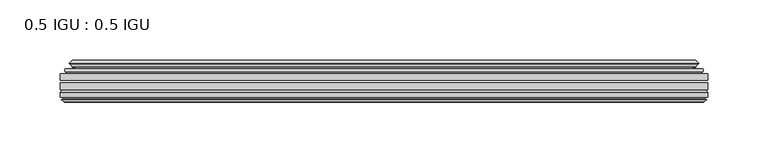
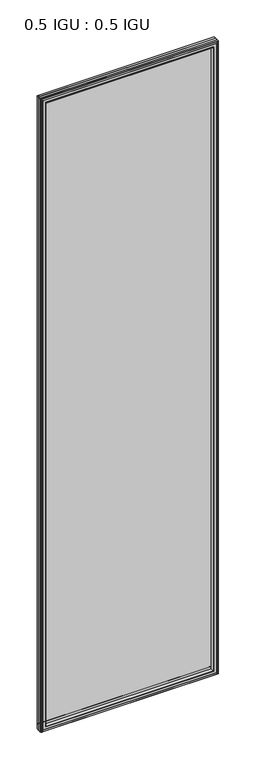
"""IFC4 building model written with IfcOpenShell, lengths in millimetres: plate geometry, 0.5 IGU : 0.5 IGU."""

from ifc_helpers import new_model, si_unit, frame, origin, place, context, project, spatial, polyline, ellipse_curve, outline, extrude, faceted_brep, source, transform, mapped, element, save
from ifc_brep_helpers import plane_surface, cylinder_surface, revolved_surface, advanced_brep


def plate_0_5_igu_0_5_igu_70f71990(model_context):
    return source(origin(), model_context, "Body", "SolidModel", [
        extrude(outline(polyline([(268.301675, -55.82285), (268.301675, -61.48705), (-268.2875, -61.48705), (-268.2875, -55.82285), (268.301675, -55.82285)])), frame((0.0, 0.0, -14.2875), z_axis=(0.0, 0.0, 1.0), x_axis=(1.0, 0.0, 0.0)), (0.0, 0.0, 1.0), 2025.6537979),
        extrude(outline(polyline([(-268.2875, -69.05625), (-268.2875, -63.39205), (268.301675, -63.39205), (268.301675, -69.05625), (-268.2875, -69.05625)])), frame((0.0, 0.0, -14.2875), z_axis=(0.0, 0.0, 1.0), x_axis=(1.0, 0.0, 0.0)), (0.0, 0.0, 1.0), 2025.6537979),
        advanced_brep(
        [(-264.1849626, -54.3724927, 2007.2599626), (-263.1404378, -51.60645, 2006.2154378), (-263.1404378, -51.60645, -9.1404378), (-264.1849626, -54.3724927, -10.1849626), (-262.548517, -55.82285, 2005.623517), (-262.548517, -55.82285, -8.548517), (-254.0, -45.63745, 1997.075), (-250.4172761, -55.82285, 1993.4922761), (-250.4172761, -55.82285, 3.5827239), (-254.0, -45.63745, 0.0), (-259.1859109, -46.8185491, 2002.2609109), (-259.1859109, -46.8185491, -5.1859109), (-258.3888893, -44.8183085, 2001.4638893), (-258.3888893, -44.8183085, -4.3888893), (-260.6726111, -47.135817, 2003.7476111), (-260.6726111, -47.135817, -6.6726111), (-260.6726111, -47.8489429, 2003.7476111), (-260.6726111, -47.8489429, -6.6726111), (-258.3888893, -50.1664515, 2001.4638893), (-258.3888893, -50.1664515, -4.3888893), (-259.1782501, -48.1854367, 2002.2532501), (-259.1782501, -48.1854367, -5.1782501), (-256.6544379, -48.027045, 1999.7294379), (-256.6544379, -48.027045, -2.6544379), (-255.6286217, -48.7147544, 1998.7036217), (-255.6286217, -48.7147544, -1.6286217), (-255.7470288, -50.1092231, 1998.8220288), (-255.7470288, -50.1092231, -1.7470288), (-256.3487748, -51.60645, 1999.4237748), (-256.3487748, -51.60645, -2.3487748), (263.1404378, -51.60645, -9.1404378), (264.1849626, -54.3724927, -10.1849626), (262.548517, -55.82285, -8.548517), (250.4172761, -55.82285, 3.5827239), (254.0, -45.63745, 0.0), (259.1859109, -46.8185491, -5.1859109), (258.3888893, -44.8183085, -4.3888893), (260.6726111, -47.135817, -6.6726111), (260.6726111, -47.8489429, -6.6726111), (258.3888893, -50.1664515, -4.3888893), (259.1782501, -48.1854367, -5.1782501), (256.6544379, -48.027045, -2.6544379), (255.6286217, -48.7147544, -1.6286217), (255.7470288, -50.1092231, -1.7470288), (256.3487748, -51.60645, -2.3487748), (263.1404378, -51.60645, 2006.2154378), (264.1849626, -54.3724927, 2007.2599626), (262.548517, -55.82285, 2005.623517), (250.4172761, -55.82285, 1993.4922761), (254.0, -45.63745, 1997.075), (259.1859109, -46.8185491, 2002.2609109), (258.3888893, -44.8183085, 2001.4638893), (260.6726111, -47.135817, 2003.7476111), (260.6726111, -47.8489429, 2003.7476111), (258.3888893, -50.1664515, 2001.4638893), (259.1782501, -48.1854367, 2002.2532501), (256.6544379, -48.027045, 1999.7294379), (255.6286217, -48.7147544, 1998.7036217), (255.7470288, -50.1092231, 1998.8220288), (256.3487748, -51.60645, 1999.4237748)],
        [
            (0, 1, ellipse_curve(frame((-263.1320703, -53.1898501, 2006.2070703), z_axis=(-0.7071067811865475, 0.0, -0.7071067811865475), x_axis=(-0.7071067811865474, 0.0, 0.7071067811865476)), 2.2392971, 1.5834222)),
            (1, 2),
            (2, 3, ellipse_curve(frame((-263.1320703, -53.1898501, -9.1320703), z_axis=(-0.7071067811865475, 0.0, 0.7071067811865475), x_axis=(0.7071067811865474, 0.0, 0.7071067811865476)), 2.2392971, 1.5834222)),
            (3, 0),
            (4, 0),
            (3, 5),
            (5, 4),
            (6, 7, ellipse_curve(frame((-221.720246, -40.0058297, 1964.795246), z_axis=(0.7071067811865475, 0.0, 0.7071067811865475), x_axis=(0.7071067811865474, 0.0, -0.7071067811865476)), 46.3399971, 32.7673262)),
            (7, 8),
            (8, 9, ellipse_curve(frame((-221.720246, -40.0058297, 32.279754), z_axis=(0.7071067811865475, 0.0, -0.7071067811865475), x_axis=(-0.7071067811865474, 0.0, -0.7071067811865476)), 46.3399971, 32.7673262)),
            (9, 6),
            (10, 6),
            (9, 11),
            (11, 10),
            (12, 10),
            (11, 13),
            (13, 12),
            (14, 12),
            (13, 15),
            (15, 14),
            (16, 14, ellipse_curve(frame((-260.3107729, -47.49238, 2003.3857729), z_axis=(-0.7071067811865475, 0.0, -0.7071067811865475), x_axis=(-0.7071067811865474, 0.0, 0.7071067811865476)), 0.7184205, 0.508)),
            (15, 17, ellipse_curve(frame((-260.3107729, -47.49238, -6.3107729), z_axis=(-0.7071067811865475, 0.0, 0.7071067811865475), x_axis=(0.7071067811865474, 0.0, 0.7071067811865476)), 0.7184205, 0.508)),
            (17, 16),
            (18, 16),
            (17, 19),
            (19, 18),
            (20, 18),
            (19, 21),
            (21, 20),
            (22, 20),
            (21, 23),
            (23, 22),
            (24, 22, ellipse_curve(frame((-256.5908, -49.04105, 1999.6658), z_axis=(0.7071067811865475, 0.0, 0.7071067811865475), x_axis=(0.7071067811865474, 0.0, -0.7071067811865476)), 1.436841, 1.016)),
            (23, 25, ellipse_curve(frame((-256.5908, -49.04105, -2.5908), z_axis=(0.7071067811865475, 0.0, -0.7071067811865475), x_axis=(-0.7071067811865474, 0.0, -0.7071067811865476)), 1.436841, 1.016)),
            (25, 24),
            (26, 24, ellipse_curve(frame((-257.9624, -49.21885, 2001.0374), z_axis=(0.7071067811865475, 0.0, 0.7071067811865475), x_axis=(0.7071067811865474, 0.0, -0.7071067811865476)), 3.3765763, 2.3876)),
            (25, 27, ellipse_curve(frame((-257.9624, -49.21885, -3.9624), z_axis=(0.7071067811865475, 0.0, -0.7071067811865475), x_axis=(-0.7071067811865474, 0.0, -0.7071067811865476)), 3.3765763, 2.3876)),
            (27, 26),
            (28, 26),
            (27, 29),
            (29, 28),
            (2, 30),
            (30, 31, ellipse_curve(frame((263.1320703, -53.1898501, -9.1320703), z_axis=(-0.7071067811865475, 0.0, -0.7071067811865475), x_axis=(-0.7071067811865476, 0.0, 0.7071067811865474)), 2.2392971, 1.5834222)),
            (31, 3),
            (31, 32),
            (32, 5),
            (8, 33),
            (33, 34, ellipse_curve(frame((221.720246, -40.0058297, 32.279754), z_axis=(0.7071067811865475, 0.0, 0.7071067811865475), x_axis=(0.7071067811865476, 0.0, -0.7071067811865474)), 46.3399971, 32.7673262)),
            (34, 9),
            (34, 35),
            (35, 11),
            (35, 36),
            (36, 13),
            (36, 37),
            (37, 15),
            (37, 38, ellipse_curve(frame((260.3107729, -47.49238, -6.3107729), z_axis=(-0.7071067811865475, 0.0, -0.7071067811865475), x_axis=(-0.7071067811865476, 0.0, 0.7071067811865474)), 0.7184205, 0.508)),
            (38, 17),
            (38, 39),
            (39, 19),
            (39, 40),
            (40, 21),
            (40, 41),
            (41, 23),
            (41, 42, ellipse_curve(frame((256.5908, -49.04105, -2.5908), z_axis=(0.7071067811865475, 0.0, 0.7071067811865475), x_axis=(0.7071067811865476, 0.0, -0.7071067811865474)), 1.436841, 1.016)),
            (42, 25),
            (42, 43, ellipse_curve(frame((257.9624, -49.21885, -3.9624), z_axis=(0.7071067811865475, 0.0, 0.7071067811865475), x_axis=(0.7071067811865476, 0.0, -0.7071067811865474)), 3.3765763, 2.3876)),
            (43, 27),
            (43, 44),
            (44, 29),
            (30, 45),
            (45, 46, ellipse_curve(frame((263.1320703, -53.1898501, 2006.2070703), z_axis=(0.7071067811865475, 0.0, -0.7071067811865475), x_axis=(-0.7071067811865474, 0.0, -0.7071067811865476)), 2.2392971, 1.5834222)),
            (46, 31),
            (46, 47),
            (47, 32),
            (33, 48),
            (48, 49, ellipse_curve(frame((221.720246, -40.0058297, 1964.795246), z_axis=(-0.7071067811865475, 0.0, 0.7071067811865475), x_axis=(0.7071067811865474, 0.0, 0.7071067811865476)), 46.3399971, 32.7673262)),
            (49, 34),
            (49, 50),
            (50, 35),
            (50, 51),
            (51, 36),
            (51, 52),
            (52, 37),
            (52, 53, ellipse_curve(frame((260.3107729, -47.49238, 2003.3857729), z_axis=(0.7071067811865475, 0.0, -0.7071067811865475), x_axis=(-0.7071067811865474, 0.0, -0.7071067811865476)), 0.7184205, 0.508)),
            (53, 38),
            (53, 54),
            (54, 39),
            (54, 55),
            (55, 40),
            (55, 56),
            (56, 41),
            (56, 57, ellipse_curve(frame((256.5908, -49.04105, 1999.6658), z_axis=(-0.7071067811865475, 0.0, 0.7071067811865475), x_axis=(0.7071067811865474, 0.0, 0.7071067811865476)), 1.436841, 1.016)),
            (57, 42),
            (57, 58, ellipse_curve(frame((257.9624, -49.21885, 2001.0374), z_axis=(-0.7071067811865475, 0.0, 0.7071067811865475), x_axis=(0.7071067811865474, 0.0, 0.7071067811865476)), 3.3765763, 2.3876)),
            (58, 43),
            (58, 59),
            (59, 44),
            (45, 1),
            (0, 46),
            (4, 47),
            (7, 48),
            (6, 49),
            (10, 50),
            (12, 51),
            (14, 52),
            (16, 53),
            (18, 54),
            (20, 55),
            (22, 56),
            (24, 57),
            (26, 58),
            (28, 59),
        ],
        [
            cylinder_surface(frame((-263.1320703, -53.1898501, 2028.825), z_axis=(0.0, 0.0, 1.0), x_axis=(-1.0, 0.0, 0.0)), 1.5834222),
            plane_surface(frame((-264.1849626, -54.3724927, 2007.2599626), z_axis=(-0.6632745773184306, -0.7483761320907135, 0.0), x_axis=(0.0, 0.0, -1.0))),
            revolved_surface(polyline([(-254.4875722, -40.0058297, -0.48757218957507575), (-254.4875722, -40.0058297, 1997.562572189575)]), (-221.720246, -40.0058297, 2028.825), (0.0, 0.0, -1.0)),
            plane_surface(frame((-254.0, -45.63745, 1997.075), z_axis=(-0.2220649844278743, 0.975031867525902, 0.0), x_axis=(0.0, 0.0, -1.0))),
            plane_surface(frame((-259.1859109, -46.8185491, 2002.2609109), z_axis=(0.928968268563027, -0.37015936568323066, 0.0), x_axis=(0.0, 0.0, -1.0))),
            plane_surface(frame((-258.3888893, -44.8183085, 2001.4638893), z_axis=(-0.7122798501733482, 0.7018955869907096, 0.0), x_axis=(0.0, 0.0, -1.0))),
            cylinder_surface(frame((-260.3107729, -47.49238, 2028.825), z_axis=(0.0, 0.0, 1.0), x_axis=(-1.0, 0.0, 0.0)), 0.508),
            plane_surface(frame((-260.6726111, -47.8489429, 2003.7476111), z_axis=(-0.7122798501732925, -0.701895586990766, 0.0), x_axis=(0.0, 0.0, -1.0))),
            plane_surface(frame((-258.3888893, -50.1664515, 2001.4638893), z_axis=(0.9289682685628707, 0.3701593656836228, 0.0), x_axis=(0.0, 0.0, -1.0))),
            plane_surface(frame((-259.1782501, -48.1854367, 2002.2532501), z_axis=(0.0626357011928498, -0.9980364567169279, 0.0), x_axis=(0.0, 0.0, -1.0))),
            revolved_surface(polyline([(-257.6068, -49.04105, -3.6068000145867245), (-257.6068, -49.04105, 2000.6818000145868)]), (-256.5908, -49.04105, 2028.825), (0.0, 0.0, -1.0)),
            revolved_surface(polyline([(-260.35, -49.21885, -6.3499999989237494), (-260.35, -49.21885, 2003.4249999989238)]), (-257.9624, -49.21885, 2028.825), (0.0, 0.0, -1.0)),
            plane_surface(frame((-255.7470288, -50.1092231, 1998.8220288), z_axis=(-0.9278652925428184, 0.3729155385532094, 0.0), x_axis=(0.0, 0.0, -1.0))),
            cylinder_surface(frame((-285.75, -53.1898501, -9.1320703), z_axis=(-1.0, 0.0, 0.0), x_axis=(0.0, 0.0, -1.0)), 1.5834222),
            plane_surface(frame((-264.1849626, -54.3724927, -10.1849626), z_axis=(0.0, -0.7483761320907157, -0.6632745773184283), x_axis=(1.0, 0.0, 0.0))),
            revolved_surface(polyline([(254.48757218957496, -40.0058297, -0.48757220000000245), (-254.48757218957493, -40.0058297, -0.48757220000000245)]), (-285.75, -40.0058297, 32.279754), (1.0, 0.0, 0.0)),
            plane_surface(frame((-254.0, -45.63745, 0.0), z_axis=(0.0, 0.9750318675259013, -0.22206498442787745), x_axis=(1.0, 0.0, 0.0))),
            plane_surface(frame((-259.1859109, -46.8185491, -5.1859109), z_axis=(0.0, -0.37015936568322766, 0.9289682685630283), x_axis=(1.0, 0.0, 0.0))),
            plane_surface(frame((-258.3888893, -44.8183085, -4.3888893), z_axis=(0.0, 0.7018955869907073, -0.7122798501733504), x_axis=(1.0, 0.0, 0.0))),
            cylinder_surface(frame((-285.75, -47.49238, -6.3107729), z_axis=(-1.0, 0.0, 0.0), x_axis=(0.0, 0.0, -1.0)), 0.508),
            plane_surface(frame((-260.6726111, -47.8489429, -6.6726111), z_axis=(0.0, -0.7018955869907684, -0.7122798501732903), x_axis=(1.0, 0.0, 0.0))),
            plane_surface(frame((-258.3888893, -50.1664515, -4.3888893), z_axis=(0.0, 0.37015936568362584, 0.9289682685628696), x_axis=(1.0, 0.0, 0.0))),
            plane_surface(frame((-259.1782501, -48.1854367, -5.1782501), z_axis=(0.0, -0.9980364567169276, 0.06263570119285301), x_axis=(1.0, 0.0, 0.0))),
            revolved_surface(polyline([(257.60680001458684, -49.04105, -3.6068000000000002), (-257.60680001458684, -49.04105, -3.6068000000000002)]), (-285.75, -49.04105, -2.5908), (1.0, 0.0, 0.0)),
            revolved_surface(polyline([(260.34999999892375, -49.21885, -6.35), (-260.3499999989238, -49.21885, -6.35)]), (-285.75, -49.21885, -3.9624), (1.0, 0.0, 0.0)),
            plane_surface(frame((-255.7470288, -50.1092231, -1.7470288), z_axis=(0.0, 0.3729155385532064, -0.9278652925428196), x_axis=(1.0, 0.0, 0.0))),
            cylinder_surface(frame((263.1320703, -53.1898501, -31.75), z_axis=(0.0, 0.0, -1.0), x_axis=(1.0, 0.0, 0.0)), 1.5834222),
            plane_surface(frame((264.1849626, -54.3724927, -10.1849626), z_axis=(0.6632745773184259, -0.7483761320907178, 0.0), x_axis=(0.0, 0.0, 1.0))),
            revolved_surface(polyline([(254.4875722, -40.0058297, 1997.562572189575), (254.4875722, -40.0058297, -0.48757218957494075)]), (221.720246, -40.0058297, -31.75), (0.0, 0.0, 1.0)),
            plane_surface(frame((254.0, -45.63745, 0.0), z_axis=(0.22206498442788056, 0.9750318675259005, 0.0), x_axis=(0.0, 0.0, 1.0))),
            plane_surface(frame((259.1859109, -46.8185491, -5.1859109), z_axis=(-0.9289682685630295, -0.37015936568322466, 0.0), x_axis=(0.0, 0.0, 1.0))),
            plane_surface(frame((258.3888893, -44.8183085, -4.3888893), z_axis=(0.7122798501733526, 0.701895586990705, 0.0), x_axis=(0.0, 0.0, 1.0))),
            cylinder_surface(frame((260.3107729, -47.49238, -31.75), z_axis=(0.0, 0.0, -1.0), x_axis=(1.0, 0.0, 0.0)), 0.508),
            plane_surface(frame((260.6726111, -47.8489429, -6.6726111), z_axis=(0.712279850173288, -0.7018955869907706, 0.0), x_axis=(0.0, 0.0, 1.0))),
            plane_surface(frame((258.3888893, -50.1664515, -4.3888893), z_axis=(-0.9289682685628684, 0.37015936568362884, 0.0), x_axis=(0.0, 0.0, 1.0))),
            plane_surface(frame((259.1782501, -48.1854367, -5.1782501), z_axis=(-0.06263570119285623, -0.9980364567169274, 0.0), x_axis=(0.0, 0.0, 1.0))),
            revolved_surface(polyline([(257.6068, -49.04105, 2000.6818000145868), (257.6068, -49.04105, -3.606800014586863)]), (256.5908, -49.04105, -31.75), (0.0, 0.0, 1.0)),
            revolved_surface(polyline([(260.35, -49.21885, 2003.4249999989238), (260.35, -49.21885, -6.349999998923781)]), (257.9624, -49.21885, -31.75), (0.0, 0.0, 1.0)),
            plane_surface(frame((255.7470288, -50.1092231, -1.7470288), z_axis=(0.9278652925428208, 0.3729155385532034, 0.0), x_axis=(0.0, 0.0, 1.0))),
            cylinder_surface(frame((285.75, -53.1898501, 2006.2070703), z_axis=(1.0, 0.0, 0.0), x_axis=(0.0, 0.0, 1.0)), 1.5834222),
            plane_surface(frame((264.1849626, -54.3724927, 2007.2599626), z_axis=(0.0, -0.7483761320907157, 0.6632745773184283), x_axis=(-1.0, 0.0, 0.0))),
            plane_surface(frame((262.548517, -55.82285, 2005.623517), z_axis=(0.0, -1.0, 0.0), x_axis=(-1.0, 0.0, 0.0))),
            revolved_surface(polyline([(-254.48757218957496, -40.0058297, 1997.5625722), (254.48757218957493, -40.0058297, 1997.5625722)]), (285.75, -40.0058297, 1964.795246), (-1.0, 0.0, 0.0)),
            plane_surface(frame((254.0, -45.63745, 1997.075), z_axis=(0.0, 0.9750318675259012, 0.22206498442787742), x_axis=(-1.0, 0.0, 0.0))),
            plane_surface(frame((259.1859109, -46.8185491, 2002.2609109), z_axis=(0.0, -0.37015936568322766, -0.9289682685630283), x_axis=(-1.0, 0.0, 0.0))),
            plane_surface(frame((258.3888893, -44.8183085, 2001.4638893), z_axis=(0.0, 0.7018955869907073, 0.7122798501733504), x_axis=(-1.0, 0.0, 0.0))),
            cylinder_surface(frame((285.75, -47.49238, 2003.3857729), z_axis=(1.0, 0.0, 0.0), x_axis=(0.0, 0.0, 1.0)), 0.508),
            plane_surface(frame((260.6726111, -47.8489429, 2003.7476111), z_axis=(0.0, -0.7018955869907684, 0.7122798501732903), x_axis=(-1.0, 0.0, 0.0))),
            plane_surface(frame((258.3888893, -50.1664515, 2001.4638893), z_axis=(0.0, 0.37015936568362584, -0.9289682685628696), x_axis=(-1.0, 0.0, 0.0))),
            plane_surface(frame((259.1782501, -48.1854367, 2002.2532501), z_axis=(0.0, -0.9980364567169276, -0.06263570119285301), x_axis=(-1.0, 0.0, 0.0))),
            revolved_surface(polyline([(-257.60680001458684, -49.04105, 2000.6818), (257.60680001458684, -49.04105, 2000.6818)]), (285.75, -49.04105, 1999.6658), (-1.0, 0.0, 0.0)),
            revolved_surface(polyline([(-260.34999999892375, -49.21885, 2003.425), (260.3499999989238, -49.21885, 2003.425)]), (285.75, -49.21885, 2001.0374), (-1.0, 0.0, 0.0)),
            plane_surface(frame((255.7470288, -50.1092231, 1998.8220288), z_axis=(0.0, 0.3729155385532064, 0.9278652925428196), x_axis=(-1.0, 0.0, 0.0))),
            plane_surface(frame((256.3487748, -51.60645, 1999.4237748), z_axis=(0.0, 1.0, 0.0), x_axis=(-1.0, 0.0, 0.0))),
        ],
        [
            (0, [[1, 2, 3, 4]]),
            (1, [[5, -4, 6, 7]]),
            (2, [[8, 9, 10, 11]]),
            (3, [[12, -11, 13, 14]]),
            (4, [[15, -14, 16, 17]]),
            (5, [[18, -17, 19, 20]]),
            (6, [[21, -20, 22, 23]]),
            (7, [[24, -23, 25, 26]]),
            (8, [[27, -26, 28, 29]]),
            (9, [[30, -29, 31, 32]]),
            (10, [[33, -32, 34, 35]]),
            (11, [[36, -35, 37, 38]]),
            (12, [[39, -38, 40, 41]]),
            (13, [[-3, 42, 43, 44]]),
            (14, [[-6, -44, 45, 46]]),
            (15, [[-10, 47, 48, 49]]),
            (16, [[-13, -49, 50, 51]]),
            (17, [[-16, -51, 52, 53]]),
            (18, [[-19, -53, 54, 55]]),
            (19, [[-22, -55, 56, 57]]),
            (20, [[-25, -57, 58, 59]]),
            (21, [[-28, -59, 60, 61]]),
            (22, [[-31, -61, 62, 63]]),
            (23, [[-34, -63, 64, 65]]),
            (24, [[-37, -65, 66, 67]]),
            (25, [[-40, -67, 68, 69]]),
            (26, [[-43, 70, 71, 72]]),
            (27, [[-45, -72, 73, 74]]),
            (28, [[-48, 75, 76, 77]]),
            (29, [[-50, -77, 78, 79]]),
            (30, [[-52, -79, 80, 81]]),
            (31, [[-54, -81, 82, 83]]),
            (32, [[-56, -83, 84, 85]]),
            (33, [[-58, -85, 86, 87]]),
            (34, [[-60, -87, 88, 89]]),
            (35, [[-62, -89, 90, 91]]),
            (36, [[-64, -91, 92, 93]]),
            (37, [[-66, -93, 94, 95]]),
            (38, [[-68, -95, 96, 97]]),
            (39, [[-71, 98, -1, 99]]),
            (40, [[-73, -99, -5, 100]]),
            (41, [[-46, -74, -100, -7], [101, -75, -47, -9]]),
            (42, [[-76, -101, -8, 102]]),
            (43, [[-78, -102, -12, 103]]),
            (44, [[-80, -103, -15, 104]]),
            (45, [[-82, -104, -18, 105]]),
            (46, [[-84, -105, -21, 106]]),
            (47, [[-86, -106, -24, 107]]),
            (48, [[-88, -107, -27, 108]]),
            (49, [[-90, -108, -30, 109]]),
            (50, [[-92, -109, -33, 110]]),
            (51, [[-94, -110, -36, 111]]),
            (52, [[-96, -111, -39, 112]]),
            (53, [[-98, -70, -42, -2], [-69, -97, -112, -41]]),
        ],
    ),
        faceted_brep([(-250.1457827, -69.05625, 1993.2207827), (-252.7120798, -77.94625, 1995.7870798), (-252.7120798, -77.94625, 1.2879202), (-250.1457827, -69.05625, 3.8542173), (-268.3002, -71.2633102, 2011.3752), (-266.0931398, -69.05625, 2009.1681398), (-266.0931398, -69.05625, -12.0931398), (-268.3002, -71.2633102, -14.3002), (-268.3002, -75.40625, 2011.3752), (-268.3002, -75.40625, -14.3002), (-265.8811775, -76.58989, 2008.9561775), (-266.7508, -75.40625, 2009.8258), (-266.7508, -75.40625, -12.7508), (-265.8811775, -76.58989, -11.8811775), (-265.684, -77.8875884, 2008.759), (-265.684, -77.8875884, -11.684), (-266.65966, -77.3578917, 2009.73466), (-266.65966, -77.3578917, -12.65966), (-265.1252, -79.1749663, 2008.2002), (-267.4523305, -77.3578917, 2010.5273305), (-267.4523305, -77.3578917, -13.4523305), (-265.1252, -79.1749663, -11.1252), (-262.7980695, -77.3578917, 2005.8730695), (-262.7980695, -77.3578917, -8.7980695), (-264.5664, -77.8875884, 2007.6414), (-263.59074, -77.3578917, 2006.66574), (-263.59074, -77.3578917, -9.59074), (-264.5664, -77.8875884, -10.5664), (-264.3692225, -76.58989, 2007.4442225), (-264.3692225, -76.58989, -10.3692225), (-263.4996, -75.40625, 2006.5746), (-263.4996, -75.40625, -9.4996), (-254.3513667, -77.94625, 1997.4263667), (-253.8222, -75.40625, 1996.8972), (-253.8222, -75.40625, 0.1778), (-254.3513667, -77.94625, -0.3513667), (252.7120798, -77.94625, 1.2879202), (250.1457827, -69.05625, 3.8542173), (266.0931398, -69.05625, -12.0931398), (268.3002, -71.2633102, -14.3002), (268.3002, -75.40625, -14.3002), (266.7508, -75.40625, -12.7508), (265.8811775, -76.58989, -11.8811775), (265.684, -77.8875884, -11.684), (266.65966, -77.3578917, -12.65966), (267.4523305, -77.3578917, -13.4523305), (265.1252, -79.1749663, -11.1252), (262.7980695, -77.3578917, -8.7980695), (263.59074, -77.3578917, -9.59074), (264.5664, -77.8875884, -10.5664), (264.3692225, -76.58989, -10.3692225), (263.4996, -75.40625, -9.4996), (253.8222, -75.40625, 0.1778), (254.3513667, -77.94625, -0.3513667), (252.7120798, -77.94625, 1995.7870798), (250.1457827, -69.05625, 1993.2207827), (266.0931398, -69.05625, 2009.1681398), (268.3002, -71.2633102, 2011.3752), (268.3002, -75.40625, 2011.3752), (266.7508, -75.40625, 2009.8258), (265.8811775, -76.58989, 2008.9561775), (265.684, -77.8875884, 2008.759), (266.65966, -77.3578917, 2009.73466), (267.4523305, -77.3578917, 2010.5273305), (265.1252, -79.1749663, 2008.2002), (262.7980695, -77.3578917, 2005.8730695), (263.59074, -77.3578917, 2006.66574), (264.5664, -77.8875884, 2007.6414), (264.3692225, -76.58989, 2007.4442225), (263.4996, -75.40625, 2006.5746), (253.8222, -75.40625, 1996.8972), (254.3513667, -77.94625, 1997.4263667)], [[[0, 1, 2, 3]], [[4, 5, 6, 7]], [[8, 4, 7, 9]], [[10, 11, 12, 13]], [[14, 10, 13, 15]], [[16, 14, 15, 17]], [[18, 19, 20, 21]], [[22, 18, 21, 23]], [[24, 25, 26, 27]], [[28, 24, 27, 29]], [[30, 28, 29, 31]], [[32, 33, 34, 35]], [[3, 2, 36, 37]], [[7, 6, 38, 39]], [[9, 7, 39, 40]], [[13, 12, 41, 42]], [[15, 13, 42, 43]], [[17, 15, 43, 44]], [[21, 20, 45, 46]], [[23, 21, 46, 47]], [[27, 26, 48, 49]], [[29, 27, 49, 50]], [[31, 29, 50, 51]], [[35, 34, 52, 53]], [[37, 36, 54, 55]], [[39, 38, 56, 57]], [[40, 39, 57, 58]], [[42, 41, 59, 60]], [[43, 42, 60, 61]], [[44, 43, 61, 62]], [[46, 45, 63, 64]], [[47, 46, 64, 65]], [[49, 48, 66, 67]], [[50, 49, 67, 68]], [[51, 50, 68, 69]], [[53, 52, 70, 71]], [[55, 54, 1, 0]], [[5, 56, 38, 6], [3, 37, 55, 0]], [[57, 56, 5, 4]], [[58, 57, 4, 8]], [[9, 40, 58, 8], [11, 59, 41, 12]], [[60, 59, 11, 10]], [[61, 60, 10, 14]], [[62, 61, 14, 16]], [[19, 63, 45, 20], [17, 44, 62, 16]], [[64, 63, 19, 18]], [[65, 64, 18, 22]], [[25, 66, 48, 26], [23, 47, 65, 22]], [[67, 66, 25, 24]], [[68, 67, 24, 28]], [[69, 68, 28, 30]], [[31, 51, 69, 30], [33, 70, 52, 34]], [[71, 70, 33, 32]], [[35, 53, 71, 32], [1, 54, 36, 2]]]),
    ])


if __name__ == "__main__":
    model = new_model("IFC4")
    model_context = context("Model", 3, world=origin())
    ifc_project = project(units=[si_unit("LENGTHUNIT", "METRE", prefix="MILLI")], contexts=[model_context])
    site = spatial("IfcSite", under=ifc_project)
    building = spatial("IfcBuilding", under=site)
    placement = place(None, origin())
    plate_0_5_igu_0_5_igu_shape = plate_0_5_igu_0_5_igu_70f71990(model_context)
    element("IfcPlate", 1, ObjectType="0.5 IGU : 0.5 IGU", at=placement, inside=building, context=model_context, shape_type="MappedRepresentation", body=[
        mapped(plate_0_5_igu_0_5_igu_shape, transform((0.0, 0.0, 0.0), x_axis=(1.0, 0.0, 0.0), y_axis=(0.0, 1.0, 0.0), z_axis=(0.0, 0.0, 1.0))),
    ])
    save(model, "model.ifc")
